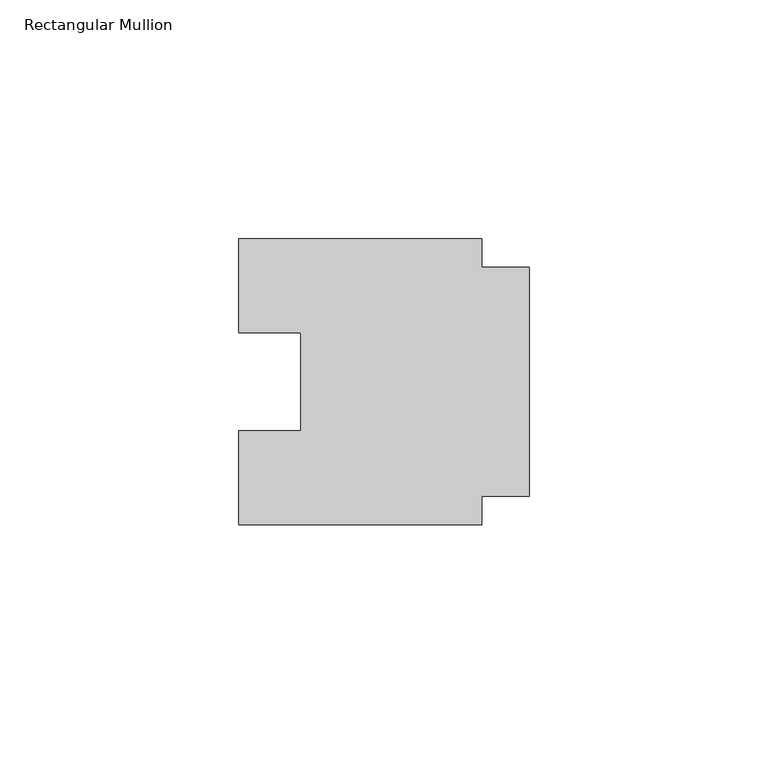
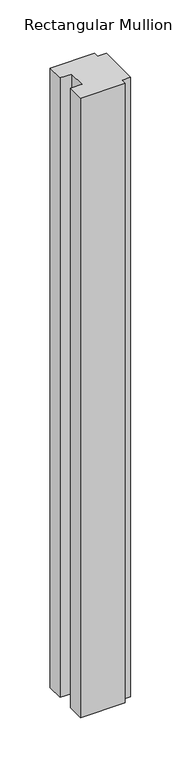
"""IFC4 building model written with IfcOpenShell, lengths in millimetres: member geometry, Rectangular Mullion."""

from ifc_helpers import new_model, si_unit, frame, origin, place, context, project, spatial, polyline, outline, extrude, source, transform, mapped, element, save


def rectangular_mullion_013fb3ec(model_context):
    return source(origin(), model_context, "Body", "SweptSolid", [
        extrude(outline(polyline([(-10.0, -24.0), (-10.0, -30.0), (-61.0, -30.0), (-61.0, -10.25), (-48.0, -10.25), (-48.0, 10.25), (-61.0, 10.25), (-61.0, 30.0), (-10.0, 30.0), (-10.0, 24.0), (0.0, 24.0), (0.0, -24.0), (-10.0, -24.0)])), frame((0.0, 0.0, -750.0), z_axis=(0.0, 0.0, 1.0), x_axis=(1.0, 0.0, 0.0)), (0.0, 0.0, 1.0), 750.0),
    ])


if __name__ == "__main__":
    model = new_model("IFC4")
    model_context = context("Model", 3, world=origin())
    ifc_project = project(units=[si_unit("LENGTHUNIT", "METRE", prefix="MILLI")], contexts=[model_context])
    site = spatial("IfcSite", under=ifc_project)
    building = spatial("IfcBuilding", under=site)
    placement = place(None, origin())
    rectangular_mullion_shape = rectangular_mullion_013fb3ec(model_context)
    element("IfcMember", 1, ObjectType="Rectangular Mullion", at=placement, inside=building, context=model_context, shape_type="MappedRepresentation", body=[
        mapped(rectangular_mullion_shape, transform((0.0, 0.0, 0.0), x_axis=(1.0, 0.0, 0.0), y_axis=(0.0, 1.0, 0.0), z_axis=(0.0, 0.0, 1.0))),
    ])
    save(model, "model.ifc")
